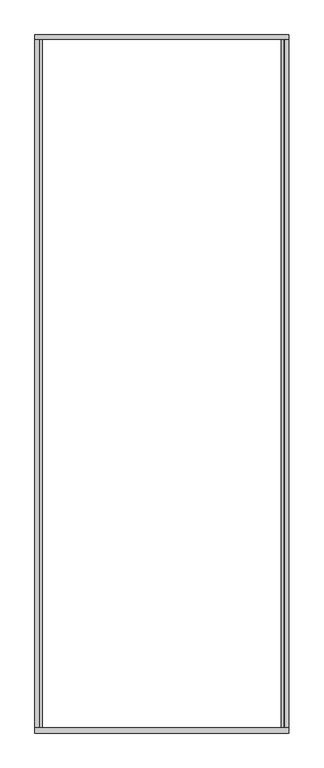
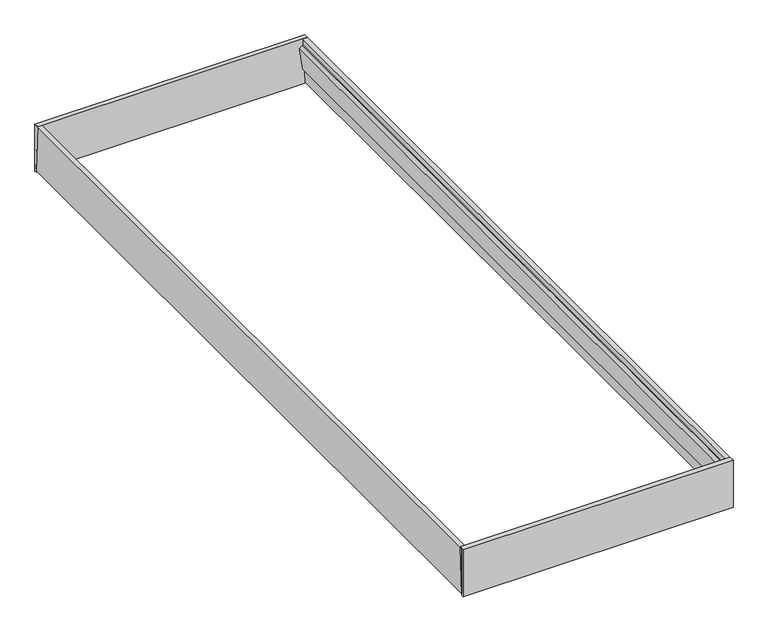
"""IFC4 building model written with IfcOpenShell, lengths in millimetres: beam geometry."""

from ifc_helpers import new_model, si_unit, frame, origin, place, context, project, spatial, polyline, outline, extrude, source, transform, mapped, element, save


def beam_3ab2116f(model_context):
    return source(origin(), model_context, "Body", "SweptSolid", [
        extrude(outline(polyline([(-3265.0, 220.0), (-3280.0, 0.0), (-3290.0, 0.0), (-3290.0, 220.0), (-3265.0, 220.0)])), frame((5.0, 0.0, 0.0), z_axis=(1.0, 0.0, 0.0), x_axis=(0.0, 1.0, 0.0)), (0.0, 0.0, 1.0), 1200.0),
        extrude(outline(polyline([(-10.0, 220.0), (10.0, 220.0), (10.0, 0.0), (0.0, 0.0), (-10.0, 220.0)])), frame((5.0, 0.0, 0.0), z_axis=(1.0, 0.0, 0.0), x_axis=(0.0, 1.0, 0.0)), (0.0, 0.0, 1.0), 1200.0),
        extrude(outline(polyline([(71.0129189, 1195.4251599), (6.9651578, 1200.0), (6.9651578, 1205.0), (220.0, 1205.0), (220.0, 1184.7832256), (190.4202344, 1186.896066), (190.2064933, 1183.9036899), (177.1682831, 1170.0), (74.1450488, 1187.1810542), (70.5114493, 1192.4533359), (71.0129189, 1195.4251599)])), frame((0.0, -3280.0, 0.0), z_axis=(0.0, 1.0, 0.0), x_axis=(0.0, 0.0, 1.0)), (0.0, 0.0, 1.0), 3280.0),
        extrude(outline(polyline([(71.0129189, 14.371614), (70.5114493, 17.3434381), (74.1450488, 22.6157198), (177.1682831, 40.0), (190.2064933, 25.8930841), (190.4202344, 22.900708), (220.0, 25.0135484), (220.0, 5.0), (7.0, 5.0), (7.0, 10.0), (71.0129189, 14.371614)])), frame((0.0, -3280.0, 0.0), z_axis=(0.0, 1.0, 0.0), x_axis=(0.0, 0.0, 1.0)), (0.0, 0.0, 1.0), 3280.0),
    ])


if __name__ == "__main__":
    model = new_model("IFC4")
    model_context = context("Model", 3, world=origin())
    ifc_project = project(units=[si_unit("LENGTHUNIT", "METRE", prefix="MILLI")], contexts=[model_context])
    site = spatial("IfcSite", under=ifc_project)
    building = spatial("IfcBuilding", under=site)
    placement = place(None, origin())
    beam_shape = beam_3ab2116f(model_context)
    element("IfcBeam", 1, at=placement, inside=building, context=model_context, shape_type="MappedRepresentation", body=[
        mapped(beam_shape, transform((0.0, 0.0, 0.0), x_axis=(1.0, 0.0, 0.0), y_axis=(0.0, 1.0, 0.0), z_axis=(0.0, 0.0, 1.0))),
    ])
    save(model, "model.ifc")
